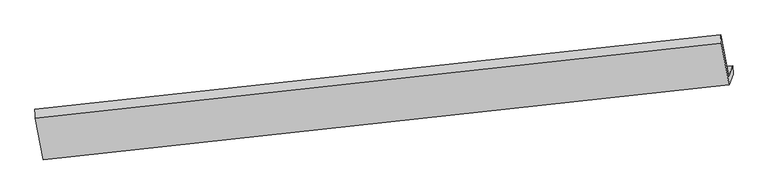
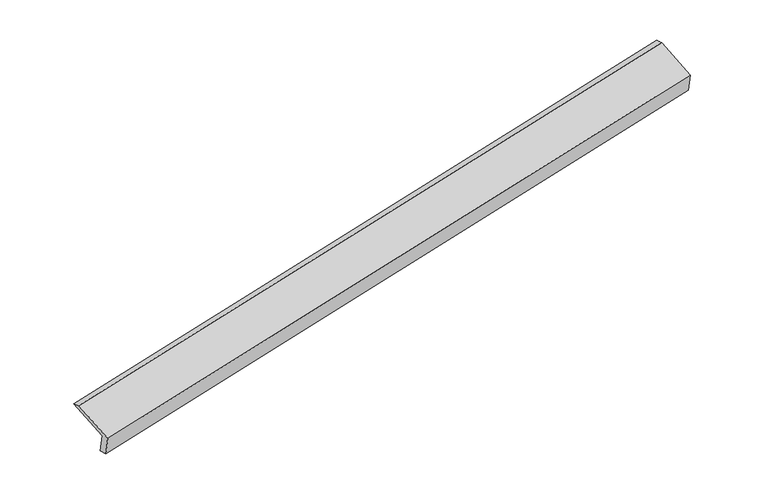
"""IFC4 building model written with IfcOpenShell, lengths in millimetres: proxy geometry."""

from ifc_helpers import new_model, si_unit, frame, origin, place, context, project, spatial, source, transform, mapped, element, save
from ifc_brep_helpers import plane_surface, spline_surface, advanced_brep


def generic_models_caeebf5c(model_context):
    return source(origin(), model_context, "Body", "AdvancedBrep", [
        advanced_brep(
        [(-8460.7544329, -2158.4988702, 397.5166132), (-8525.3761509, -2326.5176895, 809.6873973), (2836.3323862, -1103.5830621, 3111.3656061), (2903.8276635, -928.092884, 2680.8666619), (-8451.0123463, -2319.1489987, 437.5628571), (2910.1163544, -1070.3175207, 2727.8825046), (-8516.7273236, -2490.0103322, 856.7066772), (2844.4013771, -1241.1788541, 3147.0263247), (-8645.993975, -1800.311877, 1117.5909786), (2716.8614235, -560.6931449, 3404.4258267), (-8651.9439888, -1651.2186751, 1065.1249879), (2708.0378505, -419.0713018, 3370.2879961)],
        [
            (0, 1),
            (1, 2),
            (2, 3),
            (3, 0),
            (4, 0),
            (3, 5),
            (5, 4),
            (6, 4),
            (5, 7),
            (7, 6),
            (8, 6),
            (7, 9),
            (9, 8),
            (10, 8),
            (9, 11),
            (11, 10),
            (1, 10),
            (11, 2),
        ],
        [
            plane_surface(frame((-8493.0652919, -2242.5082798, 603.6020053), z_axis=(-0.16990408147568317, 0.9215778103311915, 0.34903716507425264), x_axis=(-0.1436779656250554, -0.37356794154870865, 0.9164080069711886))),
            spline_surface(1, 1, [[(-8451.0123463, -2319.1489987, 437.5628571), (2910.1163544, -1070.3175207, 2727.8825046)], [(-8460.7544329, -2158.4988702, 397.5166132), (2903.8276635, -928.092884, 2680.8666619)]], [2, 2], [2, 2], [0.0, 1.0], [0.0, 1.0]),
            plane_surface(frame((-8483.8698349, -2404.5796655, 647.1347672), z_axis=(0.17157655220646245, -0.9213953538973872, -0.3487005714782409), x_axis=(0.14367796562508475, 0.37356794154879086, -0.9164080069711505))),
            plane_surface(frame((-8581.3606493, -2145.1611046, 987.1488279), z_axis=(-0.143677965625102, -0.37356794154877476, 0.9164080069711544), x_axis=(0.17266978165265848, -0.9212745929431125, -0.34847994332748283))),
            spline_surface(1, 1, [[(-8651.9439888, -1651.2186751, 1065.1249879), (2708.0378505, -419.0713018, 3370.2879961)], [(-8645.993975, -1800.311877, 1117.5909786), (2716.8614235, -560.6931449, 3404.4258267)]], [2, 2], [2, 2], [0.0, 1.0], [0.0, 1.0]),
            plane_surface(frame((-8588.6600698, -1988.8681823, 937.4061926), z_axis=(0.14534964637805364, 0.3737529781870462, -0.9160688792847883), x_axis=(-0.1726697816526491, 0.9212745929431408, 0.3484799433274125))),
            plane_surface(frame((2819.9295092, -887.1561279, 3073.6424867), z_axis=(0.9744443486920427, 0.10816708115001891, 0.19687075419580727), x_axis=(0.17266978165265848, -0.9212745929431125, -0.34847994332748283))),
            plane_surface(frame((-8541.9680362, -2124.2844071, 780.6982519), z_axis=(-0.9744443486920707, -0.10816708114993301, -0.1968707541957156), x_axis=(0.14367796562504473, 0.37356794154870754, -0.9164080069711907))),
        ],
        [
            (0, [[1, 2, 3, 4]]),
            (1, [[5, -4, 6, 7]]),
            (2, [[8, -7, 9, 10]]),
            (3, [[11, -10, 12, 13]]),
            (4, [[14, -13, 15, 16]]),
            (5, [[17, -16, 18, -2]]),
            (6, [[-12, -9, -6, -3, -18, -15]]),
            (7, [[-1, -5, -8, -11, -14, -17]]),
        ],
    ),
    ])


if __name__ == "__main__":
    model = new_model("IFC4")
    model_context = context("Model", 3, world=origin())
    ifc_project = project(units=[si_unit("LENGTHUNIT", "METRE", prefix="MILLI")], contexts=[model_context])
    site = spatial("IfcSite", under=ifc_project)
    building = spatial("IfcBuilding", under=site)
    placement = place(None, origin())
    generic_models_shape = generic_models_caeebf5c(model_context)
    element("IfcBuildingElementProxy", 1, Name="Generic Models", at=placement, inside=building, context=model_context, shape_type="MappedRepresentation", body=[
        mapped(generic_models_shape, transform((0.0, 0.0, 0.0), x_axis=(1.0, 0.0, 0.0), y_axis=(0.0, 1.0, 0.0), z_axis=(0.0, 0.0, 1.0))),
    ])
    save(model, "model.ifc")
